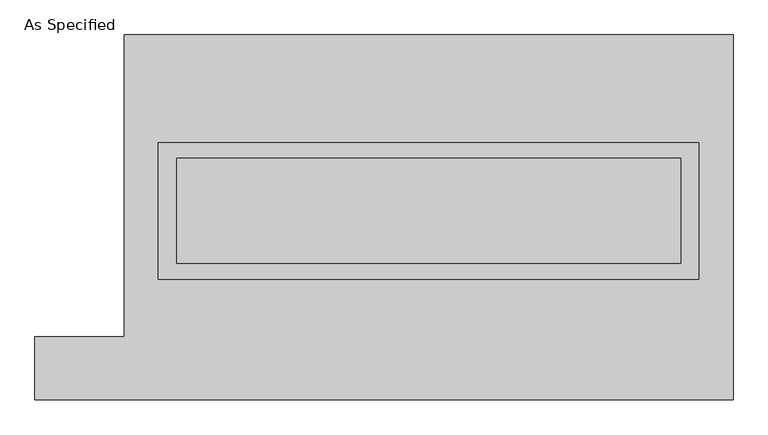
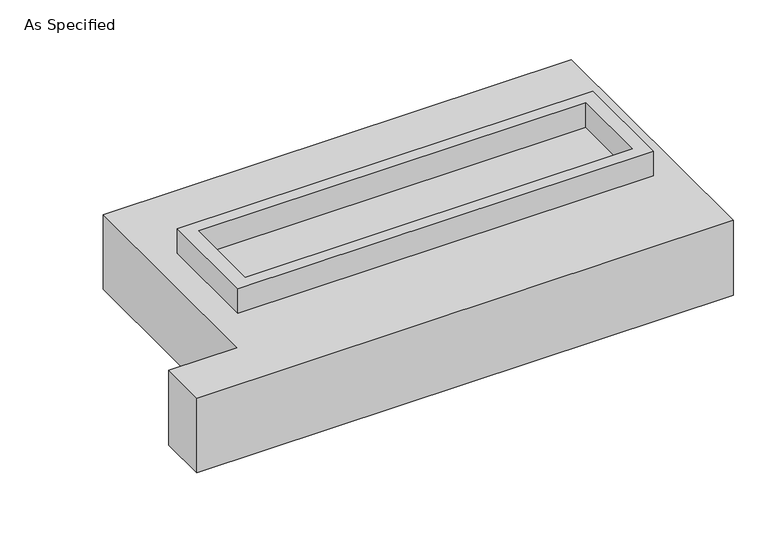
"""IFC4 building model written with IfcOpenShell, lengths in millimetres: proxy geometry, As Specified."""

from ifc_helpers import new_model, si_unit, frame, origin, place, context, project, spatial, polyline, outline, extrude, source, transform, mapped, element, save


def as_specified_9489b5b4(model_context):
    return source(origin(), model_context, "Body", "SweptSolid", [
        extrude(outline(polyline([(1308.1, 361.95), (1308.1, -298.45), (-1308.1, -298.45), (-1308.1, 361.95), (1308.1, 361.95)]), holes=[polyline([(1219.2, 285.75), (-1219.2, 285.75), (-1219.2, -222.25), (1219.2, -222.25), (1219.2, 285.75)])]), frame((0.0, 0.0, -688.975), z_axis=(0.0, 0.0, 1.0), x_axis=(1.0, 0.0, 0.0)), (0.0, 0.0, 1.0), 165.1),
        extrude(outline(polyline([(1308.1, 361.95), (1308.1, -298.45), (-1308.1, -298.45), (-1308.1, 361.95), (1308.1, 361.95)]), holes=[polyline([(1219.2, 285.75), (-1219.2, 285.75), (-1219.2, -222.25), (1219.2, -222.25), (1219.2, 285.75)])]), frame((0.0, 0.0, -25.4), z_axis=(0.0, 0.0, 1.0), x_axis=(1.0, 0.0, 0.0)), (0.0, 0.0, 1.0), 165.1),
        extrude(outline(polyline([(1219.2, 285.75), (1219.2, -222.25), (-1219.2, -222.25), (-1219.2, 285.75), (1219.2, 285.75)])), frame((0.0, 0.0, -523.875), z_axis=(0.0, 0.0, 1.0), x_axis=(1.0, 0.0, 0.0)), (0.0, 0.0, 1.0), 4.9609375),
        extrude(outline(polyline([(1219.2, 285.75), (1219.2, -222.25), (-1219.2, -222.25), (-1219.2, 285.75), (1219.2, 285.75)])), frame((0.0, 0.0, -30.3609375), z_axis=(0.0, 0.0, 1.0), x_axis=(1.0, 0.0, 0.0)), (0.0, 0.0, 1.0), 4.9609375),
        extrude(outline(polyline([(-1473.2, 882.65), (1473.2, 882.65), (1473.2, -882.65), (-1905.0, -882.65), (-1905.0, -577.85), (-1473.2, -577.85), (-1473.2, 882.65)]), holes=[polyline([(-1308.1, 361.95), (-1308.1, -298.45), (1308.1, -298.45), (1308.1, 361.95), (-1308.1, 361.95)])]), frame((0.0, 0.0, -523.875), z_axis=(0.0, 0.0, 1.0), x_axis=(1.0, 0.0, 0.0)), (0.0, 0.0, 1.0), 498.475),
    ])


if __name__ == "__main__":
    model = new_model("IFC4")
    model_context = context("Model", 3, world=origin())
    ifc_project = project(units=[si_unit("LENGTHUNIT", "METRE", prefix="MILLI")], contexts=[model_context])
    site = spatial("IfcSite", under=ifc_project)
    building = spatial("IfcBuilding", under=site)
    placement = place(None, origin())
    as_specified_shape = as_specified_9489b5b4(model_context)
    element("IfcBuildingElementProxy", 1, Name="As Specified", ObjectType="As Specified", at=placement, inside=building, context=model_context, shape_type="MappedRepresentation", body=[
        mapped(as_specified_shape, transform((0.0, 0.0, 0.0), x_axis=(1.0, 0.0, 0.0), y_axis=(0.0, 1.0, 0.0), z_axis=(0.0, 0.0, 1.0))),
    ])
    save(model, "model.ifc")
